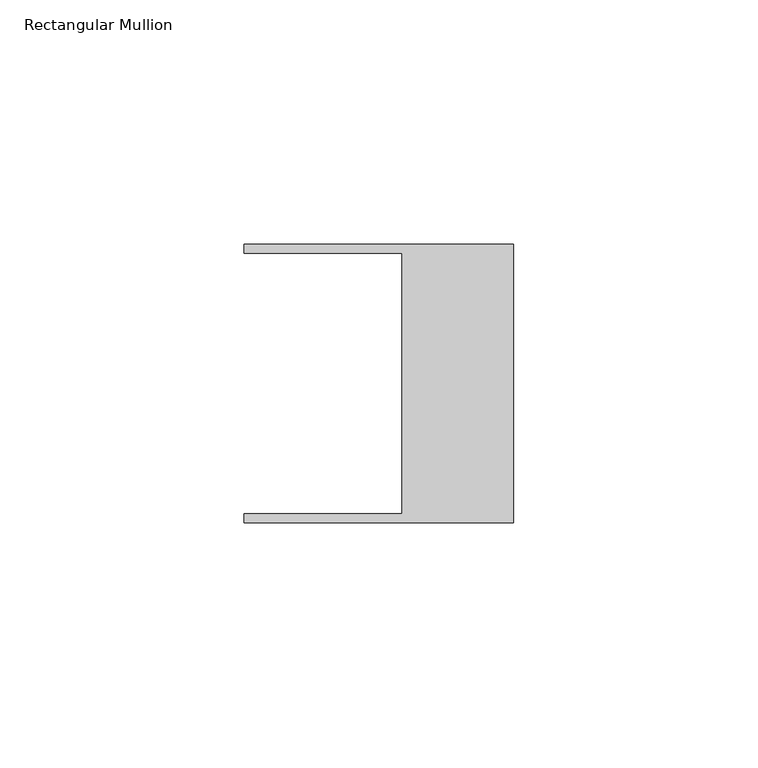
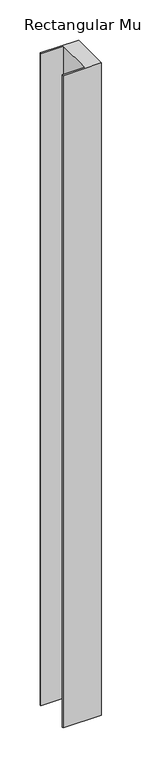
"""IFC4 building model written with IfcOpenShell, lengths in millimetres: member geometry, Rectangular Mullion."""

import ifcopenshell
import ifcopenshell.guid

model = None  # the IFC model being written
_history = None  # IfcOwnerHistory: only IFC2X3 demands one
_inside = {}  # id of a spatial element -> (the spatial element, [elements in it])
_under = {}  # id of a project, library or spatial element -> (it, [spatial elements below it])
_declared = {}  # id of a project -> (the project, [libraries it declares])
_typed = {}  # id of a type object -> (the type object, [elements of that type])
_made_of = {}  # id of a material, layer set ... -> (it, [elements and type objects made of it])


def new_model(schema):
    """Start an empty IFC model of exactly this schema.

    Asked for "IFC4X3", IfcOpenShell would pick the latest addendum, in which some entities
    have other attributes; the version numbers below select the first issue.
    IFC2X3 requires an IfcOwnerHistory on every rooted entity: one is made here for all.
    """
    global model, _history
    if schema == "IFC4X3":
        model = ifcopenshell.file(schema_version=(4, 3, 0, 0))
    else:
        model = ifcopenshell.file(schema=schema)
    _inside.clear()
    _under.clear()
    _declared.clear()
    _typed.clear()
    _made_of.clear()
    _history = None
    if model.schema == "IFC2X3":
        org = make("IfcOrganization", Name="unknown")
        user = make(
            "IfcPersonAndOrganization",
            ThePerson=make("IfcPerson", FamilyName="unknown"),
            TheOrganization=org,
        )
        app = make(
            "IfcApplication",
            ApplicationDeveloper=org,
            Version="unknown",
            ApplicationFullName="unknown",
            ApplicationIdentifier="unknown",
        )
        _history = make(
            "IfcOwnerHistory",
            OwningUser=user,
            OwningApplication=app,
            ChangeAction="ADDED",
            CreationDate=0,
        )
    return model


def make(cls, **values):
    """One entity of the class cls with the attributes given. An attribute that is None is left unset."""
    return model.create_entity(
        cls, **{name: value for name, value in values.items() if value is not None}
    )


def rooted(cls, **values):
    """An entity with a GlobalId (a new one), such as an element, a storey or a relation."""
    return make(cls, GlobalId=ifcopenshell.guid.new(), OwnerHistory=_history, **values)


def si_unit(unit_type, name, prefix=None):
    """IfcSIUnit, for example si_unit("LENGTHUNIT", "METRE", prefix="MILLI")."""
    return make("IfcSIUnit", UnitType=unit_type, Prefix=prefix, Name=name)


def assignment(units):
    """IfcUnitAssignment: the units of a project."""
    return None if units is None else make("IfcUnitAssignment", Units=units)


def point(xyz):
    """IfcCartesianPoint."""
    return None if xyz is None else make("IfcCartesianPoint", Coordinates=xyz)


def direction(xyz):
    """IfcDirection."""
    return None if xyz is None else make("IfcDirection", DirectionRatios=xyz)


def frame(location, z_axis=None, x_axis=None):
    """IfcAxis2Placement3D, a coordinate frame: its origin and axes. An axis left out is left unset."""
    return make(
        "IfcAxis2Placement3D",
        Location=point(location),
        Axis=direction(z_axis),
        RefDirection=direction(x_axis),
    )


def origin():
    """The frame at (0, 0, 0) with its axes left unset."""
    return frame((0.0, 0.0, 0.0))


def place(relative_to, where):
    """IfcLocalPlacement: puts the frame where relative to a parent placement (None: the world)."""
    return make(
        "IfcLocalPlacement", PlacementRelTo=relative_to, RelativePlacement=where
    )


def context(
    kind, dimensions, precision=None, world=None, true_north=None, identifier=None
):
    """IfcGeometricRepresentationContext, for example the 3D "Model" context."""
    return make(
        "IfcGeometricRepresentationContext",
        ContextIdentifier=identifier,
        ContextType=kind,
        CoordinateSpaceDimension=dimensions,
        Precision=precision,
        WorldCoordinateSystem=world,
        TrueNorth=true_north,
    )


def project(units=None, contexts=None):
    """IfcProject with its units and contexts."""
    return rooted(
        "IfcProject",
        Name="project",
        RepresentationContexts=contexts,
        UnitsInContext=assignment(units),
    )


def spatial(cls, under=None, at=None, **own):
    """A site, building, storey or space (cls), placed at a placement, below another one or the project."""
    s = rooted(cls, ObjectPlacement=at, **own)
    if under is not None:
        _under.setdefault(under.id(), (under, []))[1].append(s)
    return s


def polyline(points):
    """IfcPolyline through the points."""
    return make("IfcPolyline", Points=[point(p) for p in points])


def outline(outer, holes=None, kind="AREA"):
    """IfcArbitraryClosedProfileDef: a profile drawn as a closed curve; with holes, ...WithVoids."""
    if holes is None:
        return make("IfcArbitraryClosedProfileDef", ProfileType=kind, OuterCurve=outer)
    return make(
        "IfcArbitraryProfileDefWithVoids",
        ProfileType=kind,
        OuterCurve=outer,
        InnerCurves=holes,
    )


def extrude(swept, where, along, depth):
    """IfcExtrudedAreaSolid: the profile swept, set in the frame where, extruded along a direction by depth."""
    return make(
        "IfcExtrudedAreaSolid",
        SweptArea=swept,
        Position=where,
        ExtrudedDirection=direction(along),
        Depth=depth,
    )


def shape(context_of_items, identifier, shape_type, items):
    """IfcShapeRepresentation: the items that make up one representation, for example the "Body"."""
    return make(
        "IfcShapeRepresentation",
        ContextOfItems=context_of_items,
        RepresentationIdentifier=identifier,
        RepresentationType=shape_type,
        Items=items,
    )


def source(mapping_origin, context_of_items, identifier, shape_type, items):
    """IfcRepresentationMap: a shape defined once, which mapped items show again and again."""
    return make(
        "IfcRepresentationMap",
        MappingOrigin=mapping_origin,
        MappedRepresentation=shape(context_of_items, identifier, shape_type, items),
    )


def transform(
    local_origin,
    x_axis=None,
    y_axis=None,
    z_axis=None,
    scale=None,
    scale2=None,
    scale3=None,
    uniform=True,
):
    """IfcCartesianTransformationOperator3D, or its non-uniform kind. x_axis, y_axis, z_axis: its Axis1, 2, 3."""
    if uniform:
        return make(
            "IfcCartesianTransformationOperator3D",
            Axis1=direction(x_axis),
            Axis2=direction(y_axis),
            LocalOrigin=point(local_origin),
            Scale=scale,
            Axis3=direction(z_axis),
        )
    return make(
        "IfcCartesianTransformationOperator3DnonUniform",
        Axis1=direction(x_axis),
        Axis2=direction(y_axis),
        LocalOrigin=point(local_origin),
        Scale=scale,
        Axis3=direction(z_axis),
        Scale2=scale2,
        Scale3=scale3,
    )


def mapped(mapping_source, mapping_target):
    """IfcMappedItem: shows the shape of a source again, moved by a transform."""
    return make(
        "IfcMappedItem", MappingSource=mapping_source, MappingTarget=mapping_target
    )


def made_of(thing, what):
    """Note that an element or type object is made of a material, layer set ...; save() writes the relation."""
    if what is not None:
        _made_of.setdefault(what.id(), (what, []))[1].append(thing)
    return thing


def element(
    cls,
    number,
    at=None,
    inside=None,
    cuts=None,
    type_object=None,
    material=None,
    context=None,
    identifier="Body",
    shape_type=None,
    held_by="IfcProductDefinitionShape",
    body=None,
    shapes=None,
    **own,
):
    """One element of the class cls, such as IfcWall. Its Tag is "e" and its number.

    at: its placement. inside: the storey or other place that contains it. cuts: it is an
    opening in that element (IfcRelVoidsElement). A single representation is given by context,
    identifier, shape_type and body (its items); several are given by shapes. held_by: the class
    of the entity that holds the representations. save() writes the other relations.
    """
    e = rooted(cls, Tag="e%d" % number, ObjectPlacement=at, **own)
    if body is not None:
        shapes = [shape(context, identifier, shape_type, body)]
    if shapes is not None:
        e.Representation = make(held_by, Representations=shapes)
    if inside is not None:
        _inside.setdefault(inside.id(), (inside, []))[1].append(e)
    if cuts is not None:
        rooted(
            "IfcRelVoidsElement", RelatingBuildingElement=cuts, RelatedOpeningElement=e
        )
    if type_object is not None:
        _typed.setdefault(type_object.id(), (type_object, []))[1].append(e)
    return made_of(e, material)


def aggregate(whole, parts):
    """IfcRelAggregates: a whole, such as a stair, and the parts it consists of."""
    return rooted("IfcRelAggregates", RelatingObject=whole, RelatedObjects=parts)


def save(model, path):
    """Write the relations noted so far, then the file.

    IfcRelAggregates (storeys below a building ...), IfcRelContainedInSpatialStructure (elements
    in a storey), IfcRelDefinesByType, IfcRelAssociatesMaterial and IfcRelDeclares: one each for
    every whole, place, type object, material and project.
    """
    for whole, parts in _under.values():
        aggregate(whole, parts)
    for where, things in _inside.values():
        rooted(
            "IfcRelContainedInSpatialStructure",
            RelatedElements=things,
            RelatingStructure=where,
        )
    for kind, things in _typed.values():
        rooted("IfcRelDefinesByType", RelatedObjects=things, RelatingType=kind)
    for what, things in _made_of.values():
        rooted("IfcRelAssociatesMaterial", RelatedObjects=things, RelatingMaterial=what)
    for by, libraries in _declared.values():
        rooted("IfcRelDeclares", RelatingContext=by, RelatedDefinitions=libraries)
    model.write(path)


def rectangular_mullion_004e1709(model_context):
    return source(origin(), model_context, "Body", "SweptSolid", [
        extrude(outline(polyline([(-55.118, 26.67), (-55.118, 28.448), (0.0, 28.448), (0.0, -28.448), (-55.118, -28.448), (-55.118, -26.67), (-22.86, -26.67), (-22.86, 26.67), (-55.118, 26.67)])), frame((0.0, 0.0, -990.5999976), z_axis=(0.0, 0.0, 1.0), x_axis=(1.0, 0.0, 0.0)), (0.0, 0.0, 1.0), 990.5999976),
    ])


if __name__ == "__main__":
    model = new_model("IFC4")
    model_context = context("Model", 3, world=origin())
    ifc_project = project(units=[si_unit("LENGTHUNIT", "METRE", prefix="MILLI")], contexts=[model_context])
    site = spatial("IfcSite", under=ifc_project)
    building = spatial("IfcBuilding", under=site)
    placement = place(None, origin())
    rectangular_mullion_shape = rectangular_mullion_004e1709(model_context)
    element("IfcMember", 1, ObjectType="Rectangular Mullion", at=placement, inside=building, context=model_context, shape_type="MappedRepresentation", body=[
        mapped(rectangular_mullion_shape, transform((0.0, 0.0, 0.0), x_axis=(1.0, 0.0, 0.0), y_axis=(0.0, 1.0, 0.0), z_axis=(0.0, 0.0, 1.0))),
    ])
    save(model, "model.ifc")
